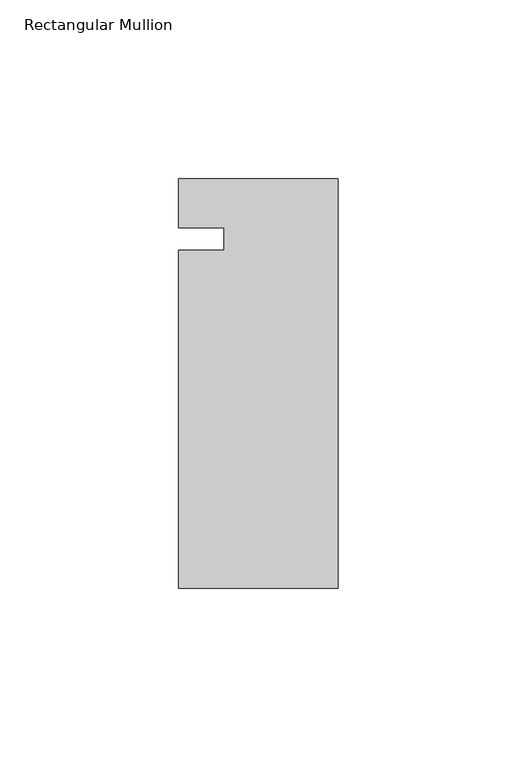
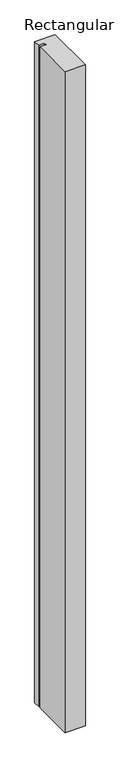
"""IFC4 building model written with IfcOpenShell, lengths in millimetres: member geometry, Rectangular Mullion."""

from ifc_helpers import new_model, si_unit, frame, origin, place, context, project, spatial, polyline, outline, extrude, source, transform, mapped, element, save


def rectangular_mullion_8f2219ef(model_context):
    return source(origin(), model_context, "Body", "SweptSolid", [
        extrude(outline(polyline([(-44.45, 16.8671875), (0.0, 16.8671875), (0.0, -97.4328125), (-44.45, -97.4328125), (-44.45, -3.1159279), (-31.7482296, -3.1159279), (-31.7482296, 3.2340721), (-44.45, 3.2340721), (-44.45, 16.8671875)])), frame((0.0, 0.0, -1524.0), z_axis=(0.0, 0.0, 1.0), x_axis=(1.0, 0.0, 0.0)), (0.0, 0.0, 1.0), 1524.0),
    ])


if __name__ == "__main__":
    model = new_model("IFC4")
    model_context = context("Model", 3, world=origin())
    ifc_project = project(units=[si_unit("LENGTHUNIT", "METRE", prefix="MILLI")], contexts=[model_context])
    site = spatial("IfcSite", under=ifc_project)
    building = spatial("IfcBuilding", under=site)
    placement = place(None, origin())
    rectangular_mullion_shape = rectangular_mullion_8f2219ef(model_context)
    element("IfcMember", 1, ObjectType="Rectangular Mullion", at=placement, inside=building, context=model_context, shape_type="MappedRepresentation", body=[
        mapped(rectangular_mullion_shape, transform((0.0, 0.0, 0.0), x_axis=(1.0, 0.0, 0.0), y_axis=(0.0, 1.0, 0.0), z_axis=(0.0, 0.0, 1.0))),
    ])
    save(model, "model.ifc")
